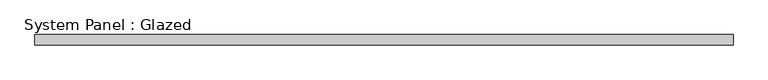
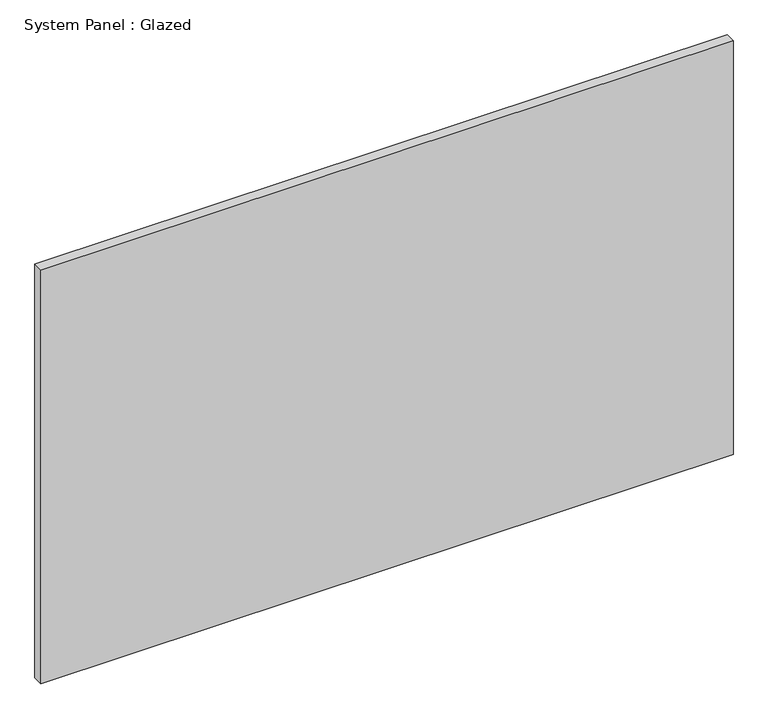
"""IFC4 building model written with IfcOpenShell, lengths in millimetres: plate geometry, System Panel : Glazed."""

from ifc_helpers import new_model, si_unit, origin, origin_with_axes, place, context, project, spatial, polyline, outline, extrude, source, transform, mapped, element, save


def system_panel_glazed_805761c7(model_context):
    return source(origin(), model_context, "Body", "SweptSolid", [
        extrude(outline(polyline([(863.6, -12.7), (-863.6, -12.7), (-863.6, 12.7), (863.6, 12.7), (863.6, -12.7)])), origin_with_axes(), (0.0, 0.0, 1.0), 1092.2),
    ])


if __name__ == "__main__":
    model = new_model("IFC4")
    model_context = context("Model", 3, world=origin())
    ifc_project = project(units=[si_unit("LENGTHUNIT", "METRE", prefix="MILLI")], contexts=[model_context])
    site = spatial("IfcSite", under=ifc_project)
    building = spatial("IfcBuilding", under=site)
    placement = place(None, origin())
    system_panel_glazed_shape = system_panel_glazed_805761c7(model_context)
    element("IfcPlate", 1, ObjectType="System Panel : Glazed", at=placement, inside=building, context=model_context, shape_type="MappedRepresentation", body=[
        mapped(system_panel_glazed_shape, transform((0.0, 0.0, 0.0), x_axis=(1.0, 0.0, 0.0), y_axis=(0.0, 1.0, 0.0), z_axis=(0.0, 0.0, 1.0))),
    ])
    save(model, "model.ifc")
